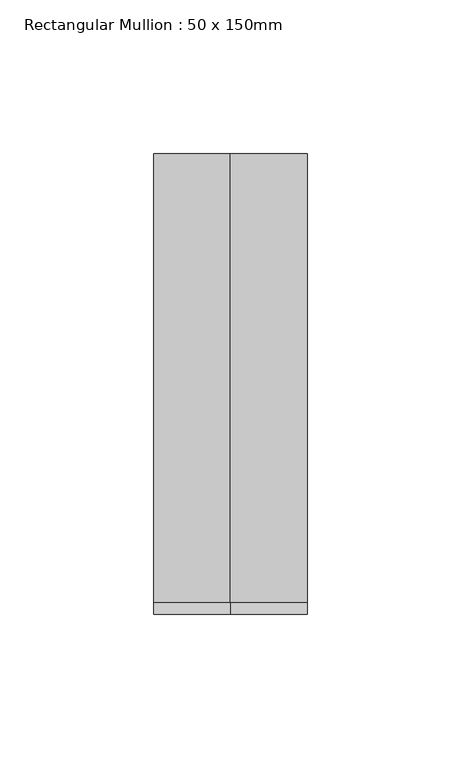
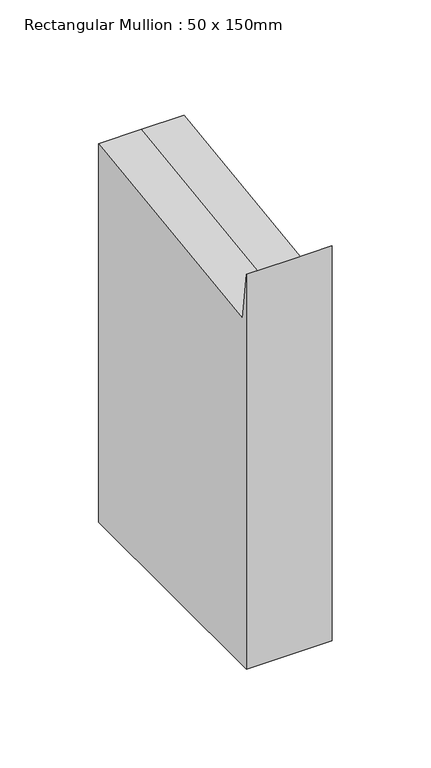
"""IFC4 building model written with IfcOpenShell, lengths in millimetres: member geometry, Rectangular Mullion : 50 x 150mm."""

from ifc_helpers import new_model, si_unit, origin, place, context, project, spatial, faceted_brep, source, transform, mapped, element, save


def rectangular_mullion_50_x_150mm_eea3d600(model_context):
    return source(origin(), model_context, "Body", "Brep", [
        faceted_brep([(25.0, 75.0, -224.1542008), (25.0, -75.0, -224.1542008), (-25.0, -75.0, -224.1542008), (-25.0, 75.0, -224.1542008), (-25.0, 75.0, 9.7896196), (0.0, 75.0, 9.7896196), (25.0, 75.0, 9.7896196), (-25.0, -75.0, 20.0164197), (-25.0, -71.0328341, -9.7035513), (25.0, -75.0, 20.0164197), (0.0, -75.0, 20.0164197), (25.0, -71.0328341, -9.7035513), (0.0, -71.0328341, -9.7035513)], [[[0, 1, 2, 3]], [[4, 5, 6, 0, 3]], [[7, 8, 4, 3, 2]], [[9, 10, 7, 2, 1]], [[6, 11, 9, 1, 0]], [[6, 5, 12, 11]], [[5, 4, 8, 12]], [[8, 7, 10, 12]], [[10, 9, 11, 12]]]),
    ])


if __name__ == "__main__":
    model = new_model("IFC4")
    model_context = context("Model", 3, world=origin())
    ifc_project = project(units=[si_unit("LENGTHUNIT", "METRE", prefix="MILLI")], contexts=[model_context])
    site = spatial("IfcSite", under=ifc_project)
    building = spatial("IfcBuilding", under=site)
    placement = place(None, origin())
    rectangular_mullion_50_x_150mm_shape = rectangular_mullion_50_x_150mm_eea3d600(model_context)
    element("IfcMember", 1, ObjectType="Rectangular Mullion : 50 x 150mm", at=placement, inside=building, context=model_context, shape_type="MappedRepresentation", body=[
        mapped(rectangular_mullion_50_x_150mm_shape, transform((0.0, 0.0, 0.0), x_axis=(1.0, 0.0, 0.0), y_axis=(0.0, 1.0, 0.0), z_axis=(0.0, 0.0, 1.0))),
    ])
    save(model, "model.ifc")
